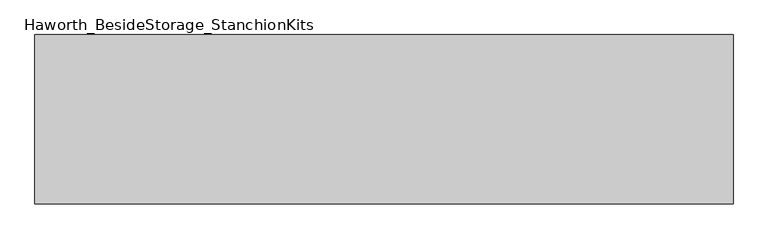
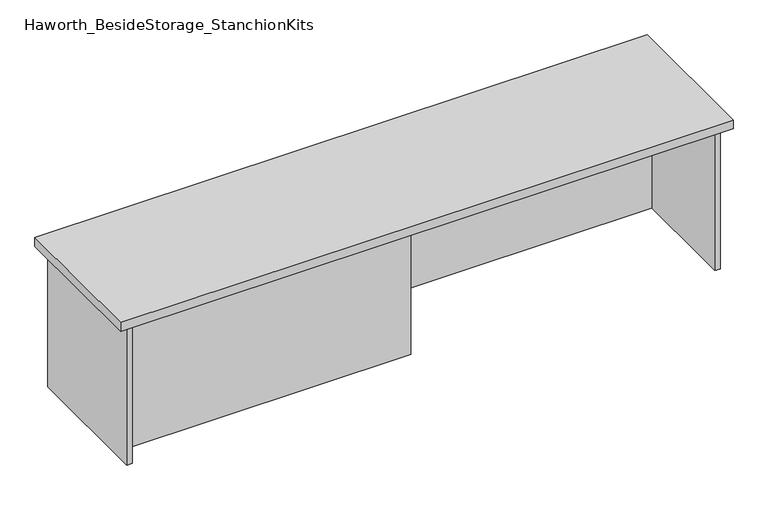
"""IFC4 building model written with IfcOpenShell, lengths in millimetres: furniture geometry, Haworth_BesideStorage_StanchionKits."""

from ifc_helpers import new_model, si_unit, frame, origin, place, context, project, spatial, polyline, outline, extrude, source, transform, mapped, element, save


def haworth_besidestorage_stanchionkits_2c6a2ef9(model_context):
    return source(origin(), model_context, "Body", "SweptSolid", [
        extrude(outline(polyline([(1000.125, 0.0), (1000.125, -406.4), (-676.275, -406.4), (-676.275, 0.0), (1000.125, 0.0)])), frame((0.0, 0.0, 838.2), z_axis=(0.0, 0.0, 1.0), x_axis=(1.0, 0.0, 0.0)), (0.0, 0.0, 1.0), 25.4),
        extrude(outline(polyline([(161.925, -76.2), (958.85, -76.2), (958.85, -92.075), (161.925, -92.075), (161.925, -76.2)])), frame((0.0, 0.0, 431.8), z_axis=(0.0, 0.0, 1.0), x_axis=(1.0, 0.0, 0.0)), (0.0, 0.0, 1.0), 406.4),
        extrude(outline(polyline([(161.925, -314.325), (161.925, -330.2), (-635.0, -330.2), (-635.0, -314.325), (161.925, -314.325)])), frame((0.0, 0.0, 431.8), z_axis=(0.0, 0.0, 1.0), x_axis=(1.0, 0.0, 0.0)), (0.0, 0.0, 1.0), 406.4),
        extrude(outline(polyline([(974.725, -390.525), (958.85, -390.525), (958.85, -15.875), (974.725, -15.875), (974.725, -390.525)])), frame((0.0, 0.0, 431.8), z_axis=(0.0, 0.0, 1.0), x_axis=(1.0, 0.0, 0.0)), (0.0, 0.0, 1.0), 406.4),
        extrude(outline(polyline([(-635.0, -390.525), (-650.875, -390.525), (-650.875, -15.875), (-635.0, -15.875), (-635.0, -390.525)])), frame((0.0, 0.0, 431.8), z_axis=(0.0, 0.0, 1.0), x_axis=(1.0, 0.0, 0.0)), (0.0, 0.0, 1.0), 406.4),
    ])


if __name__ == "__main__":
    model = new_model("IFC4")
    model_context = context("Model", 3, world=origin())
    ifc_project = project(units=[si_unit("LENGTHUNIT", "METRE", prefix="MILLI")], contexts=[model_context])
    site = spatial("IfcSite", under=ifc_project)
    building = spatial("IfcBuilding", under=site)
    placement = place(None, origin())
    haworth_besidestorage_stanchionkits_shape = haworth_besidestorage_stanchionkits_2c6a2ef9(model_context)
    element("IfcFurniture", 1, ObjectType="Haworth_BesideStorage_StanchionKits", at=placement, inside=building, context=model_context, shape_type="MappedRepresentation", body=[
        mapped(haworth_besidestorage_stanchionkits_shape, transform((0.0, 0.0, 0.0), x_axis=(1.0, 0.0, 0.0), y_axis=(0.0, 1.0, 0.0), z_axis=(0.0, 0.0, 1.0))),
    ])
    save(model, "model.ifc")
